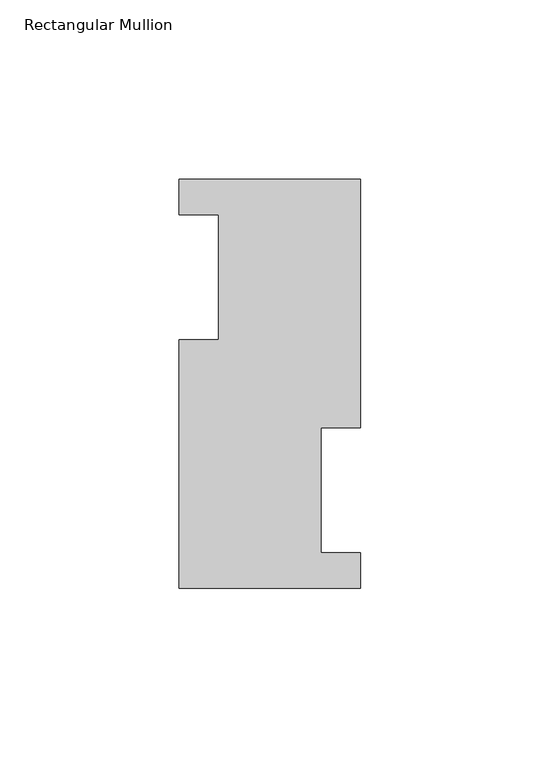
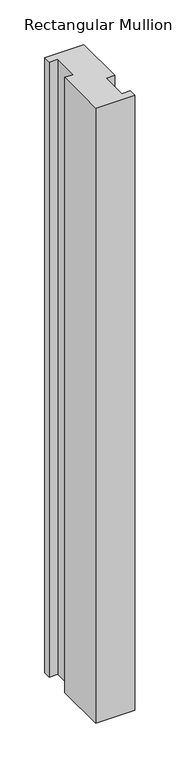
"""IFC4 building model written with IfcOpenShell, lengths in millimetres: member geometry, Rectangular Mullion."""

from ifc_helpers import new_model, si_unit, frame, origin, place, context, project, spatial, polyline, outline, extrude, source, transform, mapped, element, save


def rectangular_mullion_9df32d5e(model_context):
    return source(origin(), model_context, "Body", "SweptSolid", [
        extrude(outline(polyline([(25.4, 114.0729875), (25.4, 44.6039875), (14.2875, 44.6039875), (14.2875, 9.6789875), (25.4, 9.6789875), (25.4, -0.2270125), (-25.4, -0.2270125), (-25.4, 69.2419875), (-14.2875, 69.2419875), (-14.2875, 104.1669875), (-25.4, 104.1669875), (-25.4, 114.0729875), (25.4, 114.0729875)])), frame((0.0, 0.0, -841.375), z_axis=(0.0, 0.0, 1.0), x_axis=(1.0, 0.0, 0.0)), (0.0, 0.0, 1.0), 841.375),
    ])


if __name__ == "__main__":
    model = new_model("IFC4")
    model_context = context("Model", 3, world=origin())
    ifc_project = project(units=[si_unit("LENGTHUNIT", "METRE", prefix="MILLI")], contexts=[model_context])
    site = spatial("IfcSite", under=ifc_project)
    building = spatial("IfcBuilding", under=site)
    placement = place(None, origin())
    rectangular_mullion_shape = rectangular_mullion_9df32d5e(model_context)
    element("IfcMember", 1, ObjectType="Rectangular Mullion", at=placement, inside=building, context=model_context, shape_type="MappedRepresentation", body=[
        mapped(rectangular_mullion_shape, transform((0.0, 0.0, 0.0), x_axis=(1.0, 0.0, 0.0), y_axis=(0.0, 1.0, 0.0), z_axis=(0.0, 0.0, 1.0))),
    ])
    save(model, "model.ifc")
